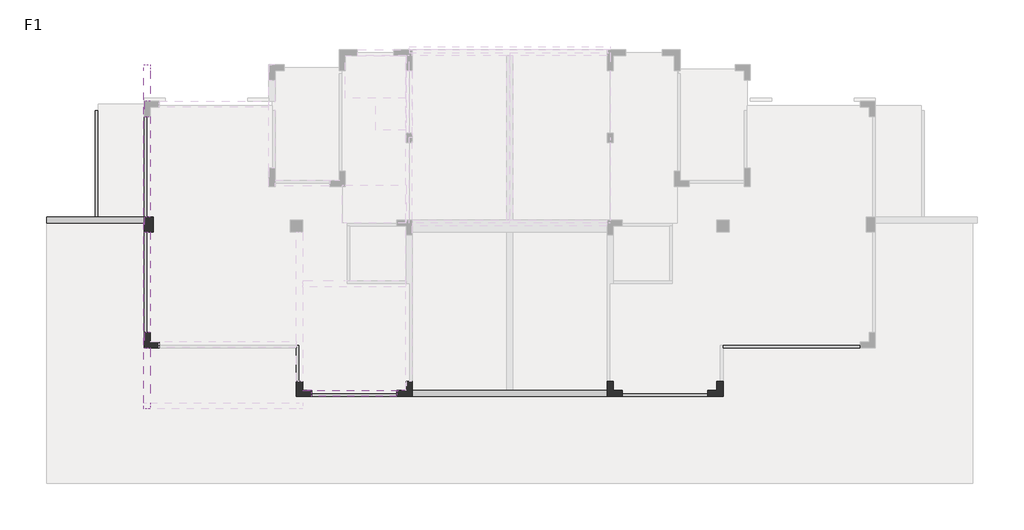
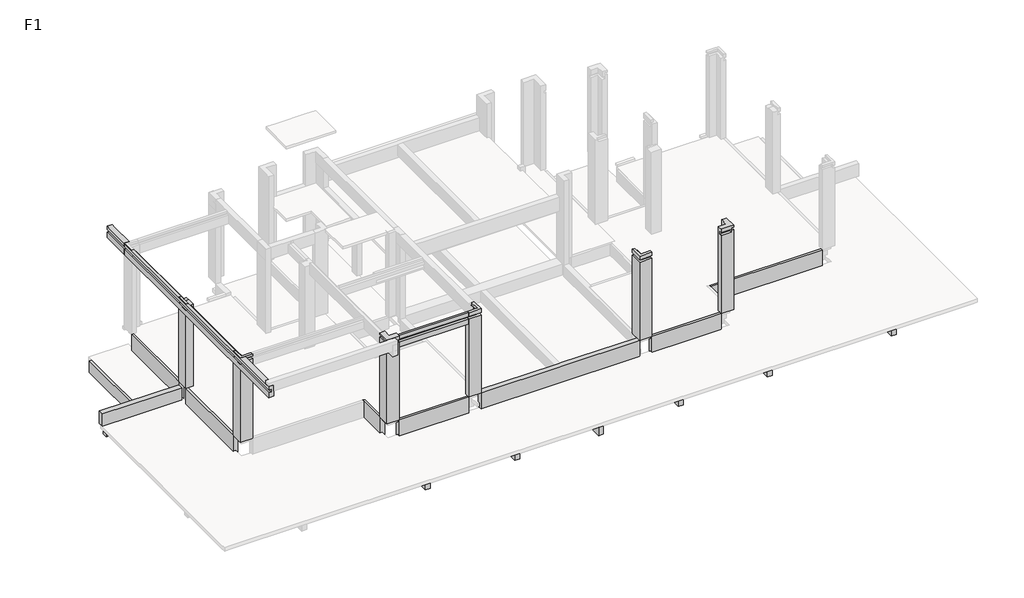
# One storey, part 2 of 4: 19 beams, 6 columns.
"""IFC4 building model written with IfcOpenShell, lengths in millimetres."""

from ifc_helpers import new_model, si_unit, frame, origin, place, context, project, spatial, polyline, outline, extrude, faceted_brep, element, save

model = new_model("IFC4")

# Units and contexts
model_context = context("Model", 3, world=origin())
ifc_project = project(units=[si_unit("LENGTHUNIT", "METRE", prefix="MILLI")], contexts=[model_context])

# Site, building, storey
site = spatial("IfcSite", under=ifc_project)
building = spatial("IfcBuilding", under=site)
storey = spatial("IfcBuildingStorey", under=building, Name="F1", Elevation=-40.0)

# Beams
placement = place(None, origin())
element("IfcBeam", 1, at=placement, inside=storey, context=model_context, shape_type="SweptSolid", body=[
    extrude(outline(polyline([(-11167.9488808, -1748.8070515), (-10967.9488808, -1748.8070515), (-10967.9488808, -4448.8065585), (-11167.9488808, -4448.8065585), (-11167.9488808, -1748.8070515)])), frame((0.0, 0.0, -1220.0), z_axis=(0.0, 0.0, 1.0), x_axis=(1.0, 0.0, 0.0)), (0.0, 0.0, 1.0), 350.0),
])
element("IfcBeam", 2, at=placement, inside=storey, context=model_context, shape_type="Brep", body=[
    faceted_brep([(-10967.9488808, 4051.1929485, -890.0), (-10967.9488808, 5351.187898, -890.0), (-10967.9488808, 5351.187898, -670.0), (-10967.9488808, 5251.187898, -670.0), (-10967.9488808, 5251.187898, -640.0), (-10967.9488808, 5151.187898, -640.0), (-10967.9488808, 5151.187898, -190.0), (-10967.9488808, 4051.1929485, -190.0), (-11167.9488808, 4051.1929485, -890.0), (-11167.9488808, 5351.187898, -890.0), (-11167.9488808, 4051.1929485, -190.0), (-11167.9488808, 5151.187898, -190.0), (-11167.9488808, 5151.187898, -640.0), (-11167.9488808, 5251.187898, -640.0), (-11167.9488808, 5251.187898, -670.0), (-11167.9488808, 5351.187898, -670.0)], [[[0, 1, 2, 3, 4, 5, 6, 7]], [[0, 8, 9, 1]], [[9, 8, 10, 11, 12, 13, 14, 15]], [[8, 0, 7, 10]], [[1, 9, 15, 2]], [[5, 12, 11, 6]], [[12, 5, 4, 13]], [[14, 3, 2, 15]], [[3, 14, 13, 4]], [[7, 6, 11, 10]]]),
    faceted_brep([(-11167.9488808, -1248.8070515, -890.0), (-10967.9488808, -1248.8070515, -890.0), (-10967.9488808, -1248.8070515, -190.0), (-11067.9488808, -1248.8070515, -190.0), (-11067.9488808, -1248.8070515, -40.0), (-11167.9488808, -1248.8070515, -40.0), (-11167.9488808, -1248.8070515, -720.0), (-11067.9488808, -1248.8070515, -720.0), (-11067.9488808, -1248.8070515, -870.0), (-11167.9488808, -1248.8070515, -870.0), (-10967.9488808, 3651.1929485, -890.0), (-11167.9488808, 3651.1929485, -890.0), (-11167.9488808, 3651.1929485, -190.0), (-10967.9488808, 3651.1929485, -190.0), (-11067.9488808, -48.812102, -40.0), (-11167.9488808, -48.812102, -40.0), (-11167.9488808, -148.812102, -40.0), (-10967.9488808, 2051.187898, -190.0), (-10967.9488808, 1851.187898, -190.0), (-11167.9488808, -148.812102, -890.0), (-11167.9488808, 51.187898, -890.0), (-11167.9488808, -148.812102, -870.0), (-11167.9488808, -48.812102, -870.0), (-11167.9488808, -48.812102, -720.0), (-11167.9488808, -148.812102, -720.0), (-11167.9488808, -48.812102, -190.0), (-11167.9488808, 51.187898, -190.0), (-11067.9488808, -48.812102, -870.0), (-11067.9488808, -48.812102, -720.0), (-11067.9488808, -48.812102, -190.0)], [[[0, 1, 2, 3, 4, 5, 6, 7, 8, 9]], [[10, 11, 12, 13]], [[5, 4, 14, 15, 16]], [[1, 10, 13, 17, 18, 2]], [[1, 0, 19, 20, 11, 10]], [[11, 20, 19, 0, 9, 21, 22, 23, 24, 6, 5, 16, 15, 25, 26, 12]], [[8, 27, 22, 21, 9]], [[28, 7, 6, 24, 23]], [[27, 28, 23, 22]], [[28, 27, 8, 7]], [[25, 29, 3, 2, 18, 17, 13, 12, 26]], [[29, 14, 4, 3]], [[14, 29, 25, 15]]]),
])
element("IfcBeam", 3, at=placement, inside=storey, context=model_context, shape_type="SweptSolid", body=[
    extrude(outline(polyline([(-1548.8070515, -890.0), (-1748.8070515, -890.0), (-1748.8070515, -870.0), (-1649.306805, -870.0), (-1649.306805, -720.0), (-1748.8070515, -720.0), (-1748.8070515, -40.0), (-1648.3095768, -40.0), (-1648.3095768, -190.0), (-1548.8070515, -190.0), (-1548.8070515, -890.0)])), frame((-10667.9488808, 0.0, 0.0), z_axis=(1.0, 0.0, 0.0), x_axis=(0.0, 1.0, 0.0)), (0.0, 0.0, 1.0), 2800.0),
])
element("IfcBeam", 4, at=placement, inside=storey, context=model_context, shape_type="SweptSolid", body=[
    extrude(outline(polyline([(-7567.9488808, -1748.812102), (-7367.9488808, -1748.812102), (-7367.9488808, -4448.8065585), (-7567.9488808, -4448.8065585), (-7567.9488808, -1748.812102)])), frame((0.0, 0.0, -1220.0), z_axis=(0.0, 0.0, 1.0), x_axis=(1.0, 0.0, 0.0)), (0.0, 0.0, 1.0), 350.0),
])
element("IfcBeam", 5, at=placement, inside=storey, context=model_context, shape_type="Brep", body=[
    faceted_brep([(-17667.9488808, 4151.187898, -720.0), (-17767.9488808, 4151.187898, -720.0), (-19217.9377846, 4151.187898, -720.0), (-19217.9377846, 4051.187898, -720.0), (-17667.9488808, 4051.187898, -720.0), (-19217.9377846, 3951.187898, -1220.0), (-16167.9082316, 3951.187898, -1220.0), (-16167.9082316, 3951.187898, -870.0), (-19217.9377846, 3951.187898, -870.0), (-16167.9082316, 4151.187898, -1220.0), (-19217.9377846, 4151.187898, -1220.0), (-17767.9488808, 4151.187898, -1220.0), (-17567.9488808, 4151.187898, -1220.0), (-17667.9488808, 4151.187898, -870.0), (-17567.9488808, 4151.187898, -870.0), (-16167.9082316, 4151.187898, -870.0), (-19217.9377846, 3961.192951, -870.0), (-19217.9377846, 4051.187898, -870.0), (-17667.9488808, 4051.187898, -870.0)], [[[0, 1, 2, 3, 4]], [[5, 6, 7, 8]], [[9, 6, 5, 10, 11, 12]], [[9, 12, 11, 10, 2, 1, 0, 13, 14, 15]], [[6, 9, 15, 7]], [[10, 5, 8, 16, 17, 3, 2]], [[13, 18, 17, 16, 8, 7, 15, 14]], [[18, 4, 3, 17]], [[4, 18, 13, 0]]]),
])
element("IfcBeam", 6, at=placement, inside=storey, context=model_context, shape_type="SweptSolid", body=[
    extrude(outline(polyline([(-15867.9082316, 3851.187898), (-15867.9082316, 4051.187898), (-11367.9488808, 4051.187898), (-11367.9488808, 3851.187898), (-15867.9082316, 3851.187898)])), frame((0.0, 0.0, -540.0), z_axis=(0.0, 0.0, 1.0), x_axis=(1.0, 0.0, 0.0)), (0.0, 0.0, 1.0), 350.0),
])
element("IfcBeam", 7, at=placement, inside=storey, context=model_context, shape_type="Brep", body=[
    faceted_brep([(-7367.9488808, -1548.8070515, -40.0), (-7367.9488808, -1748.8070515, -40.0), (-967.9488808, -1748.8070515, -40.0), (-967.9488808, -1548.8070515, -40.0), (-4067.9488808, -1548.8070515, -40.0), (-4267.9488808, -1548.8070515, -40.0), (-7367.9488808, -1748.8070515, -720.0), (-967.9488808, -1748.8070515, -720.0), (-7367.9488808, -1548.8070515, -740.0), (-4267.9488808, -1548.8070515, -740.0), (-4067.9488808, -1548.8070515, -740.0), (-967.9488808, -1548.8070515, -740.0), (-967.9488808, -1649.306805, -740.0), (-4067.9488808, -1649.306805, -740.0), (-4267.9488808, -1649.306805, -740.0), (-7367.9488808, -1649.306805, -740.0), (-967.9488808, -1548.8070515, -520.0), (-4067.9488808, -1548.8070515, -520.0), (-4267.9488808, -1548.8070515, -520.0), (-7367.9488808, -1548.8070515, -520.0), (-7367.9488808, -1648.0607162, -520.0), (-7367.9488808, -1648.0607162, -670.0), (-7367.9488808, -1548.8070515, -670.0), (-7367.9488808, -1649.306805, -720.0), (-967.9488808, -1649.306805, -720.0), (-967.9488808, -1548.8070515, -670.0), (-967.9488808, -1648.0607162, -670.0), (-967.9488808, -1648.0607162, -520.0)], [[[0, 1, 2, 3, 4, 5]], [[2, 1, 6, 7]], [[8, 9, 10, 11, 12, 13, 14, 15]], [[0, 5, 4, 3, 16, 17, 18, 19]], [[1, 0, 19, 20, 21, 22, 8, 15, 23, 6]], [[3, 2, 7, 24, 12, 11, 25, 26, 27, 16]], [[23, 24, 7, 6]], [[24, 23, 15, 14, 13, 12]], [[21, 26, 25, 22]], [[27, 20, 19, 18, 17, 16]], [[26, 21, 20, 27]], [[11, 10, 9, 8, 22, 25]]]),
])
element("IfcBeam", 8, at=placement, inside=storey, context=model_context, shape_type="SweptSolid", body=[
    extrude(outline(polyline([(-1548.8070515, -1220.0), (-4598.306805, -1220.0), (-4598.306805, -870.0), (-1649.306805, -870.0), (-1649.306805, -740.0), (-1548.8070515, -740.0), (-1548.8070515, -1220.0)])), frame((-4267.9488808, 0.0, 0.0), z_axis=(1.0, 0.0, 0.0), x_axis=(0.0, 1.0, 0.0)), (0.0, 0.0, 1.0), 200.0),
])
element("IfcBeam", 9, at=placement, inside=storey, context=model_context, shape_type="Brep", body=[
    faceted_brep([(7632.0511192, -148.812102, -1220.0), (7632.0511192, -1548.8070515, -1220.0), (7632.0511192, -1748.8070515, -1220.0), (7632.0511192, -4448.8065585, -1220.0), (7632.0511192, -4448.8065585, -870.0), (7632.0511192, -1748.8070515, -870.0), (7632.0511192, -1548.8070515, -870.0), (7632.0511192, -148.812102, -870.0), (7832.0511192, -148.812102, -1220.0), (7832.0511192, -1548.8070515, -1220.0), (7832.0511192, -1748.8070515, -1220.0), (7832.0511192, -4448.8065585, -1220.0), (7832.0511192, -148.812102, -870.0), (7832.0511192, -1548.8070515, -870.0), (7832.0511192, -1748.8070515, -870.0), (7832.0511192, -4448.8065585, -870.0)], [[[0, 1, 2, 3, 4, 5, 6, 7]], [[0, 8, 9, 10, 11, 3, 2, 1]], [[11, 10, 9, 8, 12, 13, 14, 15]], [[8, 0, 7, 12]], [[3, 11, 15, 4]], [[7, 6, 5, 4, 15, 14, 13, 12]]]),
])
element("IfcBeam", 10, at=placement, inside=storey, context=model_context, shape_type="SweptSolid", body=[
    extrude(outline(polyline([(2632.0511192, -1748.8070515), (2832.0511192, -1748.8070515), (2832.0511192, -4448.8065585), (2632.0511192, -4448.8065585), (2632.0511192, -1748.8070515)])), frame((0.0, 0.0, -1220.0), z_axis=(0.0, 0.0, 1.0), x_axis=(1.0, 0.0, 0.0)), (0.0, 0.0, 1.0), 350.0),
])
element("IfcBeam", 11, at=placement, inside=storey, context=model_context, shape_type="SweptSolid", body=[
    extrude(outline(polyline([(7632.0511192, -1548.8070515), (7632.0511192, -1748.8070515), (2832.0511192, -1748.8070515), (2832.0511192, -1548.8070515), (7632.0511192, -1548.8070515)])), frame((0.0, 0.0, -1220.0), z_axis=(0.0, 0.0, 1.0), x_axis=(1.0, 0.0, 0.0)), (0.0, 0.0, 1.0), 350.0),
    extrude(outline(polyline([(7832.0511192, -1748.8070515), (7832.0511192, -1548.8070515), (10882.0511192, -1548.8070515), (10882.0511192, -1748.8070515), (7832.0511192, -1748.8070515)])), frame((0.0, 0.0, -1220.0), z_axis=(0.0, 0.0, 1.0), x_axis=(1.0, 0.0, 0.0)), (0.0, 0.0, 1.0), 350.0),
])
element("IfcBeam", 12, at=placement, inside=storey, context=model_context, shape_type="SweptSolid", body=[
    extrude(outline(polyline([(-1548.8070515, -890.0), (-1748.8070515, -890.0), (-1748.8070515, -870.0), (-1649.306805, -870.0), (-1649.306805, -720.0), (-1748.8070515, -720.0), (-1748.8070515, -40.0), (-1648.3095768, -40.0), (-1648.3095768, -190.0), (-1548.8070515, -190.0), (-1548.8070515, -890.0)])), frame((-467.9488808, 0.0, 0.0), z_axis=(1.0, 0.0, 0.0), x_axis=(0.0, 1.0, 0.0)), (0.0, 0.0, 1.0), 2800.0),
])
element("IfcBeam", 13, at=placement, inside=storey, context=model_context, shape_type="SweptSolid", body=[
    extrude(outline(polyline([(-967.9488808, -1748.812102), (-767.9488808, -1748.812102), (-767.9488808, -4448.8065585), (-967.9488808, -4448.8065585), (-967.9488808, -1748.812102)])), frame((0.0, 0.0, -1220.0), z_axis=(0.0, 0.0, 1.0), x_axis=(1.0, 0.0, 0.0)), (0.0, 0.0, 1.0), 350.0),
])
element("IfcBeam", 14, at=placement, inside=storey, context=model_context, shape_type="SweptSolid", body=[
    extrude(outline(polyline([(51.187898, -890.0), (-148.812102, -890.0), (-148.812102, -870.0), (-98.0569283, -870.0), (-98.0569283, -720.0), (-148.812102, -720.0), (-148.812102, -40.0), (-48.812102, -40.0), (-48.812102, -190.0), (51.187898, -190.0), (51.187898, -890.0)])), frame((2832.0511192, 0.0, 0.0), z_axis=(1.0, 0.0, 0.0), x_axis=(0.0, 1.0, 0.0)), (0.0, 0.0, 1.0), 4500.0),
])
element("IfcBeam", 15, at=placement, inside=storey, context=model_context, shape_type="SweptSolid", body=[
    extrude(outline(polyline([(-720.0, -17767.9488808), (-1220.0, -17767.9488808), (-1220.0, -17567.9488808), (-870.0, -17567.9488808), (-870.0, -17667.9488808), (-720.0, -17667.9488808), (-720.0, -17767.9488808)])), frame((0.0, 4151.187898, 0.0), z_axis=(0.0, 1.0, 0.0), x_axis=(0.0, 0.0, 1.0)), (0.0, 0.0, 1.0), 3500.0050531),
])
element("IfcBeam", 16, at=placement, inside=storey, context=model_context, shape_type="Brep", body=[
    faceted_brep([(-10667.9488808, -1741.2496913, 3560.0), (-7867.9488808, -1741.2496913, 3560.0), (-7867.9488808, -1648.0607162, 3560.0), (-10667.9488808, -1648.0607162, 3560.0), (-10667.9488808, -1741.2496913, 3410.0), (-7867.9488808, -1741.2496913, 3410.0), (-10667.9488808, -1548.8070515, 3080.0), (-10967.9488808, -1548.8070515, 3080.0), (-10967.9488808, -1541.2496913, 3080.0), (-7567.9488808, -1541.2496913, 3080.0), (-7567.9488808, -1548.812102, 3080.0), (-7867.9488808, -1548.812102, 3080.0), (-7867.9488808, -1741.2496913, 3080.0), (-10667.9488808, -1741.2496913, 3080.0), (-10967.9488808, -1541.2496913, 3460.0), (-7567.9488808, -1541.2496913, 3460.0), (-10967.9488808, -1548.8070515, 3460.0), (-10667.9488808, -1548.8070515, 3460.0), (-10667.9488808, -1741.2496913, 3300.0), (-10667.9488808, -1648.812102, 3300.0), (-10667.9488808, -1648.812102, 3410.0), (-10667.9488808, -1648.0607162, 3460.0), (-7567.9488808, -1548.812102, 3460.0), (-7867.9488808, -1548.812102, 3460.0), (-7867.9488808, -1648.0607162, 3460.0), (-7867.9488808, -1648.812102, 3410.0), (-7867.9488808, -1648.812102, 3300.0), (-7867.9488808, -1741.2496913, 3300.0)], [[[0, 1, 2, 3]], [[1, 0, 4, 5]], [[6, 7, 8, 9, 10, 11, 12, 13]], [[9, 8, 14, 15]], [[8, 7, 16, 14]], [[7, 6, 17, 16]], [[6, 13, 18, 19, 20, 4, 0, 3, 21, 17]], [[10, 9, 15, 22]], [[11, 10, 22, 23]], [[12, 11, 23, 24, 2, 1, 5, 25, 26, 27]], [[20, 25, 5, 4]], [[25, 20, 19, 26]], [[26, 19, 18, 27]], [[13, 12, 27, 18]], [[21, 24, 23, 22, 15, 14, 16, 17]], [[24, 21, 3, 2]]]),
])
element("IfcBeam", 17, at=placement, inside=storey, context=model_context, shape_type="Brep", body=[
    faceted_brep([(-16167.9488808, 7451.1929485, -40.0), (-16167.9488808, 4151.1929535, -40.0), (-16067.9488808, 4151.1929535, -40.0), (-16067.9488808, 7451.1929485, -40.0), (-15967.9488808, 4151.1929535, -890.0), (-15967.9488808, 7451.1929485, -890.0), (-15967.9488808, 7451.1929485, -190.0), (-15967.9488808, 4151.1929535, -190.0), (-16167.9488808, 7451.1929485, -890.0), (-16017.9082316, 4151.1929535, -890.0), (-16167.9488808, 4151.1929535, -890.0), (-16167.9488808, 7451.1929485, -720.0), (-16167.9488808, 4151.1929535, -720.0), (-16167.9488808, 7451.1929485, -870.0), (-16067.9488808, 7451.1929485, -870.0), (-16067.9488808, 7451.1929485, -720.0), (-16067.9488808, 7451.1929485, -190.0), (-16067.9488808, 4151.1929535, -190.0), (-16067.9488808, 4151.1929535, -720.0), (-16067.9488808, 4151.1929535, -870.0), (-16167.9488808, 4151.1929535, -870.0)], [[[0, 1, 2, 3]], [[4, 5, 6, 7]], [[8, 5, 4, 9, 10]], [[1, 0, 11, 12]], [[5, 8, 13, 14, 15, 11, 0, 3, 16, 6]], [[9, 4, 7, 17, 2, 1, 12, 18, 19, 20, 10]], [[15, 18, 12, 11]], [[14, 19, 18, 15]], [[8, 10, 20, 13]], [[19, 14, 13, 20]], [[16, 17, 7, 6]], [[17, 16, 3, 2]]]),
    faceted_brep([(-16167.9488808, 351.187898, -890.0), (-15967.9488808, 351.187898, -890.0), (-15967.9488808, 351.187898, -190.0), (-16067.9488808, 351.187898, -190.0), (-16067.9488808, 351.187898, -40.0), (-16167.9488808, 351.187898, -40.0), (-16167.9488808, 351.187898, -720.0), (-16067.9488808, 351.187898, -720.0), (-16067.9488808, 351.187898, -870.0), (-16167.9488808, 351.187898, -870.0), (-15967.9488808, 3651.1929535, -890.0), (-16167.9488808, 3651.1929535, -890.0), (-16167.9488808, 3651.1929535, -870.0), (-16067.9488808, 3651.1929535, -870.0), (-16067.9488808, 3651.1929535, -720.0), (-16167.9488808, 3651.1929535, -720.0), (-16167.9488808, 3651.1929535, -40.0), (-16067.9488808, 3651.1929535, -40.0), (-16067.9488808, 3651.1929535, -190.0), (-15967.9488808, 3651.1929535, -190.0)], [[[0, 1, 2, 3, 4, 5, 6, 7, 8, 9]], [[10, 11, 12, 13, 14, 15, 16, 17, 18, 19]], [[16, 5, 4, 17]], [[1, 10, 19, 2]], [[1, 0, 11, 10]], [[5, 16, 15, 6]], [[8, 13, 12, 9]], [[11, 0, 9, 12]], [[14, 7, 6, 15]], [[13, 8, 7, 14]], [[18, 3, 2, 19]], [[3, 18, 17, 4]]]),
])
element("IfcBeam", 18, at=placement, inside=storey, context=model_context, shape_type="Brep", body=[
    faceted_brep([(-19367.9377846, 4151.187898, -190.0), (-19367.9377846, 4151.187898, -720.0), (-19367.9377846, 3951.187898, -720.0), (-19367.9377846, 3951.187898, -190.0), (-16167.9082316, 3951.187898, -190.0), (-16167.9082316, 4151.187898, -190.0), (-16167.9082316, 3951.187898, -720.0), (-19217.9377846, 4151.187898, -720.0), (-17667.9488808, 4151.187898, -720.0), (-16167.9082316, 4151.187898, -720.0)], [[[0, 1, 2, 3]], [[0, 3, 4, 5]], [[3, 2, 6, 4]], [[2, 1, 7, 8, 9, 6]], [[1, 0, 5, 9, 8, 7]], [[5, 4, 6, 9]]]),
])
element("IfcBeam", 19, ObjectType="KL9 200 x 480 mm", at=placement, inside=storey, context=model_context, shape_type="Brep", body=[
    faceted_brep([(-16167.9082317, 7451.187898, 3560.0), (-16167.9082317, 7951.187898, 3560.0), (-15972.1845793, 7951.187898, 3560.0), (-15972.1845793, 8951.6953797, 3560.0), (-15972.1845793, 9151.6953797, 3560.0), (-16172.1845793, 9151.6953797, 3560.0), (-16172.1845793, 8951.6953797, 3560.0), (-16172.1845793, -1948.3046203, 3560.0), (-16172.1845793, -2148.3046203, 3560.0), (-15972.1845793, -2148.3046203, 3560.0), (-15972.1845793, -1948.3046203, 3560.0), (-15972.1845793, -148.812102, 3560.0), (-16167.9488808, -148.812102, 3560.0), (-16167.9488808, 351.187898, 3560.0), (-16072.1845793, 351.187898, 3560.0), (-16072.1845793, 3651.1929535, 3560.0), (-16167.9082316, 3651.1929535, 3560.0), (-16167.9082316, 4151.1929535, 3560.0), (-16067.9488808, 4151.1929535, 3560.0), (-16067.9488808, 7451.187898, 3560.0), (-15972.1845793, 9151.6953797, 3080.0), (-15972.1845793, 9151.6953797, 3300.0), (-15972.1845793, 7951.187898, 3480.0), (-15972.1845793, 8951.6953797, 3480.0), (-15972.1845793, 9051.6953797, 3480.0), (-15972.1845793, 9051.6953797, 3380.0), (-15972.1845793, 8951.6953797, 3380.0), (-15972.1845793, 7951.187898, 3380.0), (-15972.1845793, 7951.187898, 3080.0), (-16167.9082317, 7451.187898, 3080.0), (-15972.1845793, 7451.187898, 3080.0), (-15972.1845793, 4151.1929535, 3080.0), (-16167.9082316, 4151.1929535, 3080.0), (-16167.9082316, 3651.1929535, 3080.0), (-15972.1845793, 3651.1929535, 3080.0), (-15972.1845793, 351.187898, 3080.0), (-16167.9488808, 351.187898, 3080.0), (-16167.9488808, -148.812102, 3080.0), (-15972.1845793, -148.812102, 3080.0), (-15972.1845793, -2148.3046203, 3080.0), (-16172.1845793, -2148.3046203, 3080.0), (-16172.1845793, 9151.6953797, 3080.0), (-16167.9082317, 7951.187898, 3080.0), (-16172.1845793, 9151.6953797, 3410.0), (-16172.1845793, -2148.3046203, 3410.0), (-16167.9082317, 7451.187898, 3300.0), (-16072.1845793, 7451.187898, 3300.0), (-16072.1845793, 7451.187898, 3410.0), (-16167.9082317, 7451.187898, 3410.0), (-16067.9488808, 7451.187898, 3440.0), (-15972.1845793, 7451.187898, 3440.0), (-16167.9082317, 7951.187898, 3410.0), (-16072.1845793, 7951.187898, 3410.0), (-16072.1845793, 7951.187898, 3300.0), (-16167.9082317, 7951.187898, 3300.0), (-16071.6854735, 7951.187898, 3380.0), (-16071.6854735, 7951.187898, 3480.0), (-15972.1845793, 4151.1929535, 3440.0), (-16167.9082316, 4151.1929535, 3410.0), (-16072.1845793, 4151.1929535, 3410.0), (-16072.1845793, 4151.1929535, 3300.0), (-16167.9082316, 4151.1929535, 3300.0), (-16067.9488808, 4151.1929535, 3440.0), (-16072.1845793, 3651.1929535, 3410.0), (-16167.9082316, 3651.1929535, 3410.0), (-16072.1845793, 3651.1929535, 3460.0), (-15972.1845793, 3651.1929535, 3460.0), (-16167.9082316, 3651.1929535, 3300.0), (-16072.1845793, 3651.1929535, 3300.0), (-15972.1845793, 351.187898, 3460.0), (-16167.9488808, 351.187898, 3410.0), (-16072.1845793, 351.187898, 3410.0), (-16072.1845793, 351.187898, 3300.0), (-16167.9488808, 351.187898, 3300.0), (-16072.1845793, 351.187898, 3460.0), (-16072.1845793, -148.812102, 3410.0), (-16167.9488808, -148.812102, 3410.0), (-15972.1845793, -148.812102, 3480.0), (-16067.9488808, -148.812102, 3480.0), (-16067.9488808, -148.812102, 3380.0), (-15972.1845793, -148.812102, 3380.0), (-16167.9488808, -148.812102, 3300.0), (-16072.1845793, -148.812102, 3300.0), (-15972.1845793, -1948.3046203, 3380.0), (-15972.1845793, -2048.3046203, 3380.0), (-15972.1845793, -2048.3046203, 3480.0), (-15972.1845793, -1948.3046203, 3480.0), (-15972.1845793, -2148.3046203, 3300.0), (-16172.1845793, 9151.6953797, 3300.0), (-16072.1845793, 9151.6953797, 3300.0), (-16072.1845793, 9151.6953797, 3410.0), (-16072.1845793, -2148.3046203, 3410.0), (-16172.1845793, -2148.3046203, 3300.0), (-16072.1845793, -2148.3046203, 3300.0), (-16071.6854735, 9051.6953797, 3380.0), (-16067.9488808, -2048.3046203, 3480.0), (-16071.6854735, 9051.6953797, 3480.0), (-16067.9488808, -2048.3046203, 3380.0)], [[[0, 1, 2, 3, 4, 5, 6, 7, 8, 9, 10, 11, 12, 13, 14, 15, 16, 17, 18, 19]], [[20, 21, 4, 3, 2, 22, 23, 24, 25, 26, 27, 28]], [[29, 30, 31, 32, 33, 34, 35, 36, 37, 38, 39, 40, 41, 20, 28, 42]], [[5, 43, 44, 8, 7, 6]], [[30, 29, 45, 46, 47, 48, 0, 19, 49, 50]], [[1, 0, 48, 51]], [[2, 1, 51, 52, 53, 54, 42, 28, 27, 55, 56, 22]], [[30, 50, 57, 31]], [[58, 59, 60, 61, 32, 31, 57, 62, 18, 17]], [[63, 64, 16, 15, 65, 66, 34, 33, 67, 68]], [[35, 34, 66, 69]], [[70, 71, 72, 73, 36, 35, 69, 74, 14, 13]], [[75, 76, 12, 11, 77, 78, 79, 80, 38, 37, 81, 82]], [[12, 76, 70, 13]], [[38, 80, 83, 84, 85, 86, 77, 11, 10, 9, 87, 39]], [[5, 4, 21, 20, 41, 88, 89, 90, 43]], [[90, 52, 51, 48, 47, 59, 58, 64, 63, 71, 70, 76, 75, 91, 44, 43]], [[52, 90, 89, 53]], [[53, 89, 88, 92, 93, 82, 81, 73, 72, 68, 67, 61, 60, 46, 45, 54]], [[88, 41, 40, 92]], [[47, 46, 60, 59]], [[63, 68, 72, 71]], [[75, 82, 93, 91]], [[25, 94, 55, 27, 26]], [[85, 95, 78, 77, 86]], [[94, 96, 56, 55]], [[96, 94, 25, 24]], [[97, 95, 85, 84]], [[95, 97, 79, 78]], [[79, 97, 84, 83, 80]], [[56, 96, 24, 23, 22]], [[49, 62, 57, 50]], [[62, 49, 19, 18]], [[65, 74, 69, 66]], [[74, 65, 15, 14]], [[9, 8, 44, 91, 93, 92, 40, 39, 87]], [[16, 64, 58, 17]], [[67, 33, 32, 61]], [[81, 37, 36, 73]], [[29, 42, 54, 45]]]),
])

# Columns
element("IfcColumn", 20, ObjectType="KZ-4", at=placement, inside=storey, context=model_context, shape_type="Brep", body=[
    faceted_brep([(-11167.9488808, -1248.8070515, -40.0), (-10967.9488808, -1248.8070515, -40.0), (-10967.9488808, -1548.8070515, -40.0), (-10667.9488808, -1548.8070515, -40.0), (-10667.9488808, -1748.8070515, -40.0), (-11167.9488808, -1748.8070515, -40.0), (-11167.9488808, -1248.8070515, 3380.0), (-11068.0854822, -1248.8070515, 3380.0), (-11068.0854822, -1248.8070515, 3480.0), (-11167.9488808, -1248.8070515, 3480.0), (-11167.9488808, -1248.8070515, 3560.0), (-11067.9488808, -1248.8070515, 3560.0), (-10967.9488808, -1248.8070515, 3560.0), (-10967.9488808, -1548.8070515, 3560.0), (-10667.9488808, -1548.8070515, 3560.0), (-10667.9488808, -1748.8070515, 3560.0), (-10667.9488808, -1748.8070515, 3410.0), (-10667.9488808, -1648.812102, 3410.0), (-10667.9488808, -1648.812102, 3300.0), (-10667.9488808, -1748.8070515, 3300.0), (-10967.9863851, -1748.8070515, 3560.0), (-11167.9488808, -1748.8070515, 3560.0), (-11167.9488808, -1748.8070515, 3480.0), (-11068.0854822, -1748.8070515, 3480.0), (-11068.0854822, -1748.8070515, 3410.0), (-10967.9863851, -1748.8070515, 3410.0), (-11067.9488808, -1648.812102, 3300.0), (-11067.9488808, -1748.8070515, 3300.0), (-10967.9863851, -1748.8070515, 3300.0), (-11067.9488808, -1648.812102, 3410.0), (-11067.9488808, -1648.812102, 3380.0), (-11067.9488808, -1748.8070515, 3380.0), (-11167.9488808, -1748.8070515, 3380.0)], [[[0, 1, 2, 3, 4, 5]], [[1, 0, 6, 7, 8, 9, 10, 11, 12]], [[2, 1, 12, 13]], [[3, 2, 13, 14]], [[4, 3, 14, 15, 16, 17, 18, 19]], [[15, 20, 21, 22, 23, 24, 25, 16]], [[21, 10, 9, 22]], [[12, 11, 10, 21, 20, 15, 14, 13]], [[18, 26, 27, 28, 19]], [[29, 17, 16, 25, 24]], [[27, 26, 30, 31]], [[26, 18, 17, 29, 30]], [[30, 7, 6, 32, 31]], [[8, 23, 22, 9]], [[7, 30, 29, 24, 23, 8]], [[5, 4, 19, 28, 27, 31, 32]], [[0, 5, 32, 6]]]),
])
element("IfcColumn", 21, ObjectType="KZ-4", at=placement, inside=storey, context=model_context, shape_type="Brep", body=[
    faceted_brep([(-16167.9488808, 351.187898, -40.0), (-15967.9488808, 351.187898, -40.0), (-15967.9488808, 51.187898, -40.0), (-15667.9488808, 51.187898, -40.0), (-15667.9488808, -148.812102, -40.0), (-16167.9488808, -148.812102, -40.0), (-16167.9488808, 351.187898, 3080.0), (-16167.9488808, 351.187898, 3300.0), (-16072.1845793, 351.187898, 3300.0), (-16072.1845793, 351.187898, 3410.0), (-16167.9488808, 351.187898, 3410.0), (-16167.9488808, 351.187898, 3560.0), (-16072.1845793, 351.187898, 3560.0), (-16072.1845793, 351.187898, 3460.0), (-15972.1845793, 351.187898, 3460.0), (-15967.9488808, 351.187898, 3460.0), (-15967.9488808, 51.187898, 3460.0), (-15667.9488808, 51.187898, 3460.0), (-15667.9488808, -148.812102, 3560.0), (-15667.9488808, -148.812102, 3480.0), (-15667.9488808, -48.812102, 3480.0), (-15667.9488808, -48.812102, 3560.0), (-15667.9488808, -148.812102, 3380.0), (-15972.1845793, -148.812102, 3380.0), (-16067.9488808, -148.812102, 3380.0), (-16067.9488808, -148.812102, 3480.0), (-15972.1845793, -148.812102, 3480.0), (-15972.1845793, -148.812102, 3560.0), (-16167.9488808, -148.812102, 3560.0), (-16167.9488808, -148.812102, 3410.0), (-16072.1845793, -148.812102, 3410.0), (-16072.1845793, -148.812102, 3300.0), (-16167.9488808, -148.812102, 3300.0), (-16167.9488808, -148.812102, 3080.0), (-16072.1845793, -48.812102, 3560.0), (-15667.9488808, -48.812102, 3380.0), (-16067.9488808, -48.812102, 3380.0), (-16067.9488808, -48.812102, 3480.0), (-16067.9488808, -48.812102, 3460.0), (-15667.9488808, -48.812102, 3460.0), (-16072.1845793, -48.812102, 3460.0)], [[[0, 1, 2, 3, 4, 5]], [[1, 0, 6, 7, 8, 9, 10, 11, 12, 13, 14, 15]], [[2, 1, 15, 16]], [[3, 2, 16, 17]], [[18, 19, 20, 21]], [[5, 4, 22, 23, 24, 25, 26, 19, 18, 27, 28, 29, 30, 31, 32, 33]], [[28, 11, 10, 29]], [[28, 27, 18, 21, 34, 12, 11]], [[31, 8, 7, 32]], [[9, 30, 29, 10]], [[8, 31, 30, 9]], [[0, 5, 33, 32, 7, 6]], [[35, 36, 24, 23, 22]], [[25, 37, 20, 19, 26]], [[24, 36, 38, 37, 25]], [[36, 35, 39, 38]], [[40, 38, 39, 17, 16, 15, 14, 13]], [[40, 34, 21, 20, 37, 38]], [[34, 40, 13, 12]], [[4, 3, 17, 39, 35, 22]]]),
])
element("IfcColumn", 22, ObjectType="KZ-4", at=placement, inside=storey, context=model_context, shape_type="Brep", body=[
    faceted_brep([(-7567.9488808, -1248.812102, -40.0), (-7367.9488808, -1248.812102, -40.0), (-7367.9488808, -1748.812102, -40.0), (-7867.9488808, -1748.812102, -40.0), (-7867.9488808, -1548.812102, -40.0), (-7567.9488808, -1548.812102, -40.0), (-7567.9488808, -1248.812102, 3460.0), (-7468.0210684, -1248.812102, 3460.0), (-7468.0210684, -1248.812102, 3560.0), (-7367.9488808, -1248.812102, 3560.0), (-7367.9488808, -1248.812102, 3410.0), (-7477.9507841, -1248.812102, 3410.0), (-7477.9507841, -1248.812102, 3300.0), (-7367.9488808, -1248.812102, 3300.0), (-7567.9488808, -1548.812102, 3460.0), (-7867.9488808, -1548.812102, 3460.0), (-7867.9488808, -1748.812102, 3300.0), (-7867.9488808, -1648.812102, 3300.0), (-7867.9488808, -1648.812102, 3410.0), (-7867.9488808, -1748.812102, 3410.0), (-7867.9488808, -1748.812102, 3560.0), (-7867.9488808, -1648.0607162, 3560.0), (-7867.9488808, -1648.0607162, 3460.0), (-7367.9488808, -1748.812102, 3560.0), (-7367.9488808, -1748.812102, 3410.0), (-7468.0210684, -1648.0607162, 3560.0), (-7477.9507841, -1648.812102, 3300.0), (-7367.9488808, -1748.812102, 3300.0), (-7477.9507841, -1648.812102, 3410.0), (-7468.0210684, -1648.0607162, 3460.0)], [[[0, 1, 2, 3, 4, 5]], [[1, 0, 6, 7, 8, 9, 10, 11, 12, 13]], [[0, 5, 14, 6]], [[5, 4, 15, 14]], [[4, 3, 16, 17, 18, 19, 20, 21, 22, 15]], [[23, 20, 19, 24]], [[9, 23, 24, 10]], [[20, 23, 9, 8, 25, 21]], [[12, 26, 17, 16, 27, 13]], [[18, 28, 11, 10, 24, 19]], [[26, 28, 18, 17]], [[28, 26, 12, 11]], [[3, 2, 27, 16]], [[2, 1, 13, 27]], [[22, 29, 7, 6, 14, 15]], [[29, 25, 8, 7]], [[25, 29, 22, 21]]]),
])
element("IfcColumn", 23, ObjectType="KZ-4", at=placement, inside=storey, context=model_context, shape_type="Brep", body=[
    faceted_brep([(2632.0511192, -1248.8070515, -40.0), (2832.0511192, -1248.8070515, -40.0), (2832.0511192, -1748.8070515, -40.0), (2332.0511192, -1748.8070515, -40.0), (2332.0511192, -1548.8070515, -40.0), (2632.0511192, -1548.8070515, -40.0), (2632.0511192, -1248.8070515, 3560.0), (2732.0511192, -1248.8070515, 3560.0), (2832.0511192, -1248.8070515, 3560.0), (2832.0511192, -1248.8070515, 3480.0), (2732.1877207, -1248.8070515, 3480.0), (2732.1877207, -1248.8070515, 3380.0), (2832.0511192, -1248.8070515, 3380.0), (2632.0511192, -1548.8070515, 3080.0), (2632.0511192, -1548.8070515, 3460.0), (2632.0511192, -1548.8070515, 3560.0), (2332.0511192, -1548.8070515, 3080.0), (2332.0511192, -1548.8070515, 3460.0), (2332.0511192, -1548.8070515, 3560.0), (2332.0511192, -1748.8070515, 3300.0), (2332.0511192, -1741.2496913, 3300.0), (2332.0511192, -1648.812102, 3300.0), (2332.0511192, -1648.812102, 3410.0), (2332.0511192, -1741.2496913, 3410.0), (2332.0511192, -1748.8070515, 3410.0), (2332.0511192, -1748.8070515, 3560.0), (2332.0511192, -1741.2496913, 3560.0), (2332.0511192, -1648.0607162, 3560.0), (2832.0511192, -1748.8070515, 3560.0), (2632.0886236, -1748.8070515, 3560.0), (2632.0886236, -1748.8070515, 3410.0), (2732.0511192, -1748.8070515, 3410.0), (2732.1877207, -1748.8070515, 3480.0), (2832.0511192, -1748.8070515, 3480.0), (2732.0511192, -1748.8070515, 3300.0), (2732.0511192, -1648.812102, 3300.0), (2632.0886236, -1748.8070515, 3300.0), (2732.0511192, -1648.812102, 3410.0), (2732.0511192, -1748.8070515, 3380.0), (2732.0511192, -1648.812102, 3380.0), (2832.0511192, -1748.8070515, 3380.0)], [[[0, 1, 2, 3, 4, 5]], [[1, 0, 6, 7, 8, 9, 10, 11, 12]], [[0, 5, 13, 14, 15, 6]], [[5, 4, 16, 17, 18, 15, 14, 13]], [[4, 3, 19, 20, 21, 22, 23, 24, 25, 26, 27, 18, 17, 16]], [[28, 29, 25, 24, 30, 31, 32, 33]], [[8, 28, 33, 9]], [[8, 7, 6, 15, 18, 27, 26, 25, 29, 28]], [[34, 35, 21, 20, 19, 36]], [[22, 37, 31, 30, 24, 23]], [[35, 34, 38, 39]], [[21, 35, 39, 37, 22]], [[11, 39, 38, 40, 12]], [[32, 10, 9, 33]], [[39, 11, 10, 32, 31, 37]], [[3, 2, 40, 38, 34, 36, 19]], [[2, 1, 12, 40]]]),
])
element("IfcColumn", 24, ObjectType="KZ-4", at=placement, inside=storey, context=model_context, shape_type="Brep", body=[
    faceted_brep([(-967.9488808, -1248.812102, -40.0), (-767.9488808, -1248.812102, -40.0), (-767.9488808, -1548.812102, -40.0), (-467.9488808, -1548.812102, -40.0), (-467.9488808, -1748.812102, -40.0), (-967.9488808, -1748.812102, -40.0), (-967.9488808, -1248.812102, 3300.0), (-857.9469775, -1248.812102, 3300.0), (-857.9469775, -1248.812102, 3410.0), (-967.9488808, -1248.812102, 3410.0), (-967.9488808, -1248.812102, 3560.0), (-959.2899804, -1248.812102, 3560.0), (-867.8766931, -1248.812102, 3560.0), (-867.8766931, -1248.812102, 3460.0), (-767.9488808, -1248.812102, 3460.0), (-767.9488808, -1248.812102, 3080.0), (-767.9488808, -1541.2496913, 3460.0), (-767.9488808, -1548.812102, 3460.0), (-767.9488808, -1548.812102, 3080.0), (-467.9488808, -1548.812102, 3460.0), (-467.9488808, -1548.812102, 3080.0), (-467.9488808, -1648.0607162, 3460.0), (-467.9488808, -1648.0607162, 3560.0), (-467.9488808, -1741.2496913, 3560.0), (-467.9488808, -1748.812102, 3560.0), (-467.9488808, -1748.812102, 3410.0), (-467.9488808, -1741.2496913, 3410.0), (-467.9488808, -1648.812102, 3410.0), (-467.9488808, -1648.812102, 3300.0), (-467.9488808, -1741.2496913, 3300.0), (-467.9488808, -1748.812102, 3300.0), (-967.9488808, -1748.812102, 3560.0), (-967.9488808, -1748.812102, 3410.0), (-867.8766931, -1648.0607162, 3560.0), (-857.9469775, -1648.812102, 3300.0), (-967.9488808, -1748.812102, 3300.0), (-857.9469775, -1648.812102, 3410.0), (-867.8766931, -1648.0607162, 3460.0)], [[[0, 1, 2, 3, 4, 5]], [[1, 0, 6, 7, 8, 9, 10, 11, 12, 13, 14, 15]], [[2, 1, 15, 14, 16, 17, 18]], [[3, 2, 18, 17, 19, 20]], [[4, 3, 20, 19, 21, 22, 23, 24, 25, 26, 27, 28, 29, 30]], [[24, 31, 32, 25]], [[31, 10, 9, 32]], [[31, 24, 23, 22, 33, 12, 11, 10]], [[28, 34, 7, 6, 35, 30, 29]], [[8, 36, 27, 26, 25, 32, 9]], [[36, 34, 28, 27]], [[34, 36, 8, 7]], [[5, 4, 30, 35]], [[0, 5, 35, 6]], [[13, 37, 21, 19, 17, 16, 14]], [[33, 37, 13, 12]], [[37, 33, 22, 21]]]),
])
element("IfcColumn", 25, ObjectType="KZ-5", at=placement, inside=storey, context=model_context, shape_type="Brep", body=[
    faceted_brep([(-16167.9082316, 3651.1929535, -40.0), (-16167.9082316, 4151.1929535, -40.0), (-15867.9082316, 4151.1929535, -40.0), (-15867.9082316, 3651.1929535, -40.0), (-16167.9082316, 3651.1929535, 3560.0), (-16167.9082316, 4151.1929535, 3560.0), (-16167.9082316, 4151.1929535, 3410.0), (-16167.9082316, 3651.1929535, 3410.0), (-16167.9082316, 4151.1929535, 3080.0), (-16167.9082316, 4151.1929535, 3300.0), (-16072.1845793, 4151.1929535, 3300.0), (-16072.1845793, 4151.1929535, 3410.0), (-16067.9488808, 4151.1929535, 3560.0), (-16067.9488808, 4151.1929535, 3440.0), (-15972.1845793, 4151.1929535, 3440.0), (-15867.9082316, 4151.1929535, 3440.0), (-15867.9082316, 3958.7452581, 3440.0), (-15867.9082316, 3958.7452581, 3460.0), (-15867.9082316, 3651.1929535, 3460.0), (-15972.1845793, 3651.1929535, 3460.0), (-16072.1845793, 3651.1929535, 3460.0), (-16072.1845793, 3651.1929535, 3560.0), (-16072.1845793, 3651.1929535, 3410.0), (-16072.1845793, 3651.1929535, 3300.0), (-16167.9082316, 3651.1929535, 3300.0), (-16167.9082316, 3651.1929535, 3080.0), (-16072.1845793, 3958.7452581, 3560.0), (-16067.9488808, 3958.7452581, 3560.0), (-16067.9488808, 3958.7452581, 3440.0), (-16067.9488808, 3958.7452581, 3460.0), (-16072.1845793, 3958.7452581, 3460.0)], [[[0, 1, 2, 3]], [[4, 5, 6, 7]], [[2, 1, 8, 9, 10, 11, 6, 5, 12, 13, 14, 15]], [[3, 2, 15, 16, 17, 18]], [[0, 3, 18, 19, 20, 21, 4, 7, 22, 23, 24, 25]], [[5, 4, 21, 26, 27, 12]], [[23, 10, 9, 24]], [[11, 22, 7, 6]], [[10, 23, 22, 11]], [[1, 0, 25, 24, 9, 8]], [[28, 16, 15, 14, 13]], [[28, 13, 12, 27, 29]], [[16, 28, 29, 17]], [[29, 30, 20, 19, 18, 17]], [[30, 26, 21, 20]], [[26, 30, 29, 27]]]),
])

save(model, "model.ifc")
